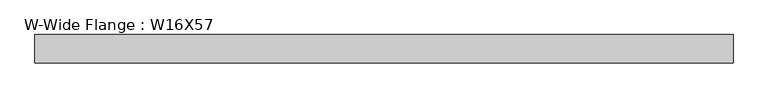
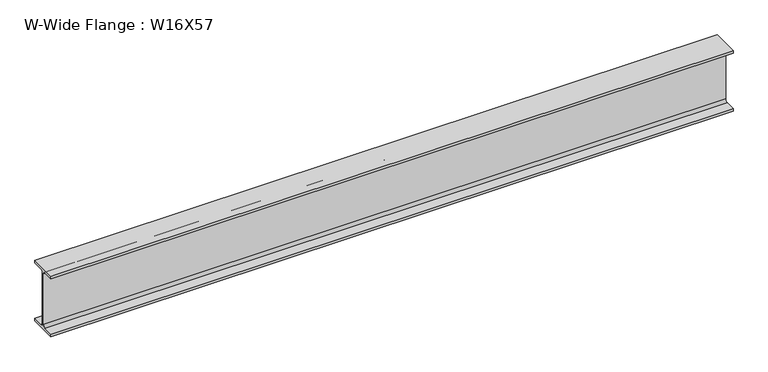
"""IFC4 building model written with IfcOpenShell, lengths in millimetres: beam geometry, W-Wide Flange : W16X57."""

from ifc_helpers import new_model, si_unit, point, frame, frame_2d, origin, place, context, project, spatial, polyline, circle_curve, trimmed, segment, composite_curve, outline, extrude, source, transform, mapped, element, save


def w_wide_flange_w16x57_2a201f3a(model_context):
    return source(origin(), model_context, "Body", "SweptSolid", [
        extrude(outline(composite_curve([segment(polyline([(90.4, -190.1), (90.4, -208.3), (-90.4, -208.3), (-90.4, -190.1), (-22.15, -190.1)]), True, "CONTINUOUS"), segment(trimmed(circle_curve(frame_2d((-22.15, -173.4)), 16.7), [point((-22.15, -190.1))], [point((-5.45, -173.4))], True, "CARTESIAN"), True, "CONTINUOUS"), segment(polyline([(-5.45, -173.4), (-5.45, 173.4)]), True, "CONTINUOUS"), segment(trimmed(circle_curve(frame_2d((-22.15, 173.4)), 16.7), [point((-5.45, 173.4))], [point((-22.15, 190.1))], True, "CARTESIAN"), True, "CONTINUOUS"), segment(polyline([(-22.15, 190.1), (-90.4, 190.1), (-90.4, 208.3), (90.4, 208.3), (90.4, 190.1), (22.15, 190.1)]), True, "CONTINUOUS"), segment(trimmed(circle_curve(frame_2d((22.15, 173.4)), 16.7), [point((22.15, 190.1))], [point((5.45, 173.4))], True, "CARTESIAN"), True, "CONTINUOUS"), segment(polyline([(5.45, 173.4), (5.45, -173.4)]), True, "CONTINUOUS"), segment(trimmed(circle_curve(frame_2d((22.15, -173.4)), 16.7), [point((5.45, -173.4))], [point((22.15, -190.1))], True, "CARTESIAN"), True, "CONTINUOUS"), segment(polyline([(22.15, -190.1), (90.4, -190.1)]), True, "CONTINUOUS")], self_intersect=False)), frame((-1563.2333755, 0.0, 0.0), z_axis=(1.0, 0.0, 0.0), x_axis=(0.0, 1.0, 0.0)), (0.0, 0.0, 1.0), 4443.9577204),
    ])


if __name__ == "__main__":
    model = new_model("IFC4")
    model_context = context("Model", 3, world=origin())
    ifc_project = project(units=[si_unit("LENGTHUNIT", "METRE", prefix="MILLI")], contexts=[model_context])
    site = spatial("IfcSite", under=ifc_project)
    building = spatial("IfcBuilding", under=site)
    placement = place(None, origin())
    w_wide_flange_w16x57_shape = w_wide_flange_w16x57_2a201f3a(model_context)
    element("IfcBeam", 1, ObjectType="W-Wide Flange : W16X57", at=placement, inside=building, context=model_context, shape_type="MappedRepresentation", body=[
        mapped(w_wide_flange_w16x57_shape, transform((0.0, 0.0, 0.0), x_axis=(1.0, 0.0, 0.0), y_axis=(0.0, 1.0, 0.0), z_axis=(0.0, 0.0, 1.0))),
    ])
    save(model, "model.ifc")
